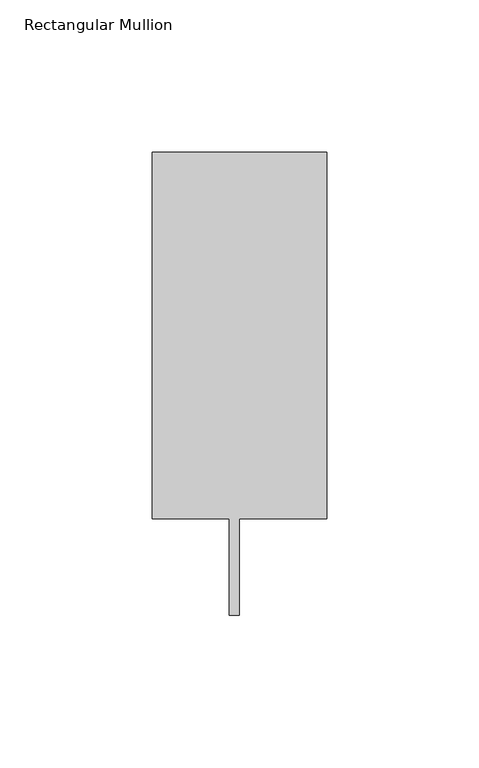
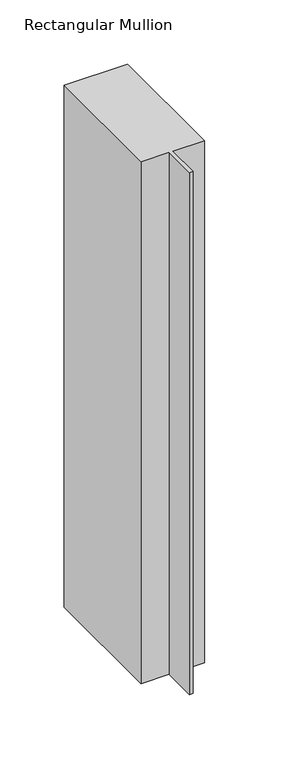
"""IFC4 building model written with IfcOpenShell, lengths in millimetres: member geometry, Rectangular Mullion."""

from ifc_helpers import new_model, si_unit, frame, origin, place, context, project, spatial, polyline, outline, extrude, source, transform, mapped, element, save


def rectangular_mullion_18fe6981(model_context):
    return source(origin(), model_context, "Body", "SweptSolid", [
        extrude(outline(polyline([(-57.15, 151.892), (0.0, 151.892), (0.0, 31.75), (-28.575, 31.75), (-28.575, 0.0), (-31.877, 0.0), (-31.877, 31.75), (-57.15, 31.75), (-57.15, 151.892)])), frame((0.0, 0.0, -496.7777402), z_axis=(0.0, 0.0, 1.0), x_axis=(1.0, 0.0, 0.0)), (0.0, 0.0, 1.0), 496.7777402),
    ])


if __name__ == "__main__":
    model = new_model("IFC4")
    model_context = context("Model", 3, world=origin())
    ifc_project = project(units=[si_unit("LENGTHUNIT", "METRE", prefix="MILLI")], contexts=[model_context])
    site = spatial("IfcSite", under=ifc_project)
    building = spatial("IfcBuilding", under=site)
    placement = place(None, origin())
    rectangular_mullion_shape = rectangular_mullion_18fe6981(model_context)
    element("IfcMember", 1, ObjectType="Rectangular Mullion", at=placement, inside=building, context=model_context, shape_type="MappedRepresentation", body=[
        mapped(rectangular_mullion_shape, transform((0.0, 0.0, 0.0), x_axis=(1.0, 0.0, 0.0), y_axis=(0.0, 1.0, 0.0), z_axis=(0.0, 0.0, 1.0))),
    ])
    save(model, "model.ifc")
